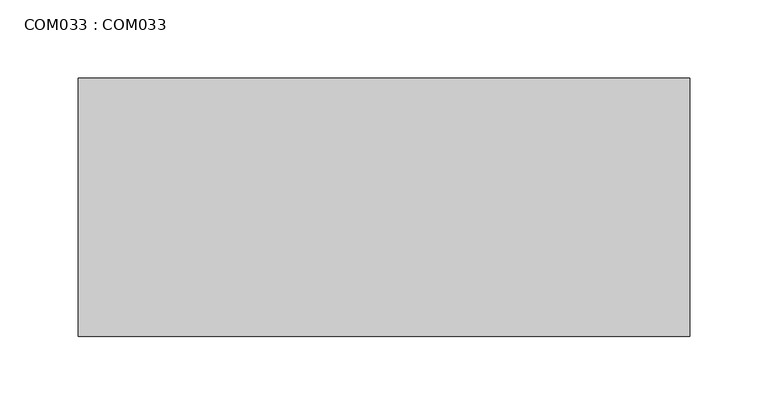
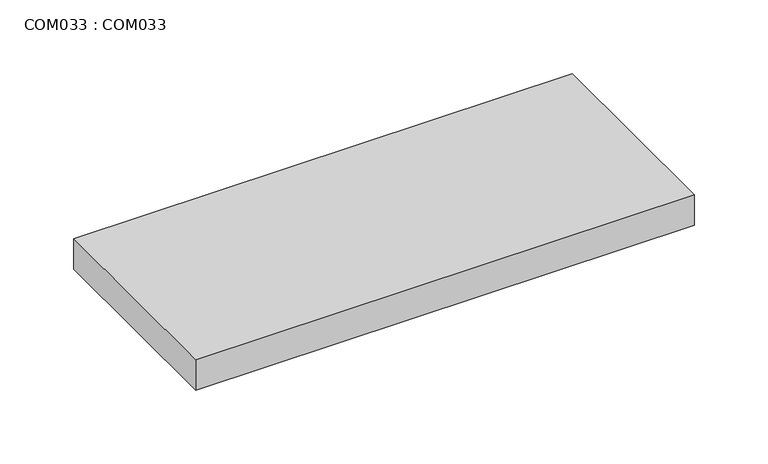
"""IFC4 building model written with IfcOpenShell, lengths in millimetres: proxy geometry, COM033 : COM033."""

from ifc_helpers import new_model, si_unit, origin, origin_with_axes, place, context, project, spatial, polyline, outline, extrude, source, transform, mapped, element, save


def com033_com033_5a98f2f7(model_context):
    return source(origin(), model_context, "Body", "SweptSolid", [
        extrude(outline(polyline([(389.9999957, 0.0), (389.9999957, -164.999994), (0.0, -164.999994), (0.0, 0.0), (389.9999957, 0.0)])), origin_with_axes(), (0.0, 0.0, 1.0), 25.0000002),
    ])


if __name__ == "__main__":
    model = new_model("IFC4")
    model_context = context("Model", 3, world=origin())
    ifc_project = project(units=[si_unit("LENGTHUNIT", "METRE", prefix="MILLI")], contexts=[model_context])
    site = spatial("IfcSite", under=ifc_project)
    building = spatial("IfcBuilding", under=site)
    placement = place(None, origin())
    com033_com033_shape = com033_com033_5a98f2f7(model_context)
    element("IfcBuildingElementProxy", 1, Name="COM033 : COM033", ObjectType="COM033 : COM033", at=placement, inside=building, context=model_context, shape_type="MappedRepresentation", body=[
        mapped(com033_com033_shape, transform((0.0, 0.0, 0.0), x_axis=(1.0, 0.0, 0.0), y_axis=(0.0, 1.0, 0.0), z_axis=(0.0, 0.0, 1.0))),
    ])
    save(model, "model.ifc")
